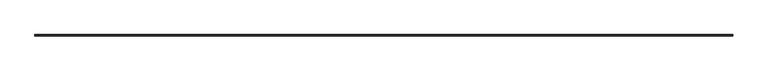
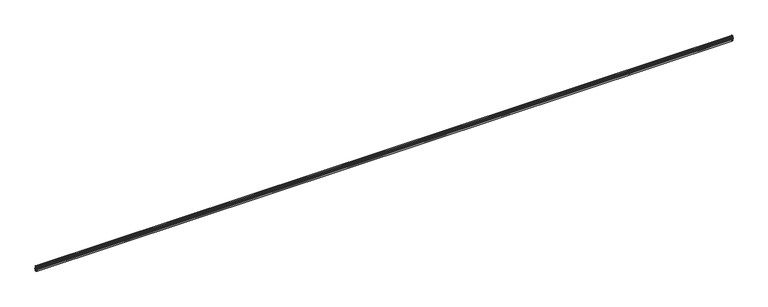
"""IFC4 building model written with IfcOpenShell, lengths in millimetres: railing geometry."""

from ifc_helpers import new_model, si_unit, frame, origin, place, context, project, spatial, polyline, circle_curve, ellipse_curve, source, transform, mapped, element, save
from ifc_brep_helpers import plane_surface, cylinder_surface, revolved_surface, advanced_brep


def railing_df9c0b14(model_context):
    return source(origin(), model_context, "Body", "AdvancedBrep", [
        advanced_brep(
        [(25095.1165719, 82032.1828523, 692.15), (25095.1165719, 82032.1828523, 711.2), (25074.4663719, 82032.1828523, 711.2), (25074.4663719, 82032.1828523, 677.8625), (25076.0538719, 82032.1828523, 677.8625), (25076.0538719, 82032.1828523, 673.1), (25079.2288719, 82032.1828523, 669.925), (25087.1663719, 82032.1828523, 669.925), (25087.1663719, 82032.1828523, 666.369), (25076.0538719, 82032.1828523, 666.369), (25076.0538719, 82032.1828523, 661.9875), (25076.8476219, 82032.1828523, 661.9875), (25080.0226219, 82032.1828523, 658.8125), (25080.0226219, 82032.1828523, 649.2875), (25076.8476219, 82032.1828523, 646.1125), (25076.0538719, 82032.1828523, 646.1125), (25076.0538719, 82032.1828523, 636.5875), (25076.8476219, 82032.1828523, 636.5875), (25080.0226219, 82032.1828523, 633.4125), (25080.0226219, 82032.1828523, 623.8875), (25076.8476219, 82032.1828523, 620.7125), (25076.0538719, 82032.1828523, 620.7125), (25076.0538719, 82032.1828523, 616.331), (25087.1663719, 82032.1828523, 616.331), (25087.1663719, 82032.1828523, 612.775), (25079.2288719, 82032.1828523, 612.775), (25076.0538719, 82032.1828523, 609.6), (25076.0538719, 82032.1828523, 604.8375), (25074.4663719, 82032.1828523, 604.8375), (25074.4663719, 82032.1828523, 571.5), (25095.1165719, 82032.1828523, 571.5), (25095.1165719, 82032.1828523, 590.55), (25089.7834214, 82032.1828523, 585.2168494), (25089.2238984, 82032.1828523, 586.404375), (25089.2238984, 82032.1828523, 696.295625), (25089.7834214, 82032.1828523, 697.4831506), (6765.8161719, 82032.1828523, 692.15), (6771.1493225, 82032.1828523, 697.4831506), (6771.7088454, 82032.1828523, 696.295625), (6771.7088454, 82032.1828523, 586.404375), (6771.1493225, 82032.1828523, 585.2168494), (6765.8161719, 82032.1828523, 590.55), (6765.8161719, 82032.1828523, 571.5), (6786.4663719, 82032.1828523, 571.5), (6786.4663719, 82032.1828523, 604.8375), (6784.8788719, 82032.1828523, 604.8375), (6784.8788719, 82032.1828523, 609.6), (6781.7038719, 82032.1828523, 612.775), (6773.7663719, 82032.1828523, 612.775), (6773.7663719, 82032.1828523, 616.331), (6784.8788719, 82032.1828523, 616.331), (6784.8788719, 82032.1828523, 620.7125), (6784.0851219, 82032.1828523, 620.7125), (6780.9101219, 82032.1828523, 623.8875), (6780.9101219, 82032.1828523, 633.4125), (6784.0851219, 82032.1828523, 636.5875), (6784.8788719, 82032.1828523, 636.5875), (6784.8788719, 82032.1828523, 646.1125), (6784.0851219, 82032.1828523, 646.1125), (6780.9101219, 82032.1828523, 649.2875), (6780.9101219, 82032.1828523, 658.8125), (6784.0851219, 82032.1828523, 661.9875), (6784.8788719, 82032.1828523, 661.9875), (6784.8788719, 82032.1828523, 666.369), (6773.7663719, 82032.1828523, 666.369), (6773.7663719, 82032.1828523, 669.925), (6781.7038719, 82032.1828523, 669.925), (6784.8788719, 82032.1828523, 673.1), (6784.8788719, 82032.1828523, 677.8625), (6786.4663719, 82032.1828523, 677.8625), (6786.4663719, 82032.1828523, 711.2), (6765.8161719, 82032.1828523, 711.2), (25095.1165719, 82053.6268023, 692.15), (25095.1165719, 82053.6268023, 711.2), (25074.4663719, 82032.9766023, 711.2), (25074.4663719, 82032.9766023, 677.8625), (25076.0538719, 82034.5641023, 677.8625), (25076.0538719, 82034.5641023, 673.1), (25079.2288719, 82037.7391023, 669.925), (25087.1663719, 82045.6766023, 669.925), (25087.1663719, 82045.6766023, 666.369), (25076.0538719, 82034.5641023, 666.369), (25076.0538719, 82034.5641023, 661.9875), (25076.8476219, 82035.3578523, 661.9875), (25080.0226219, 82038.5328523, 658.8125), (25080.0226219, 82038.5328523, 649.2875), (25076.8476219, 82035.3578523, 646.1125), (25076.0538719, 82034.5641023, 646.1125), (25076.0538719, 82034.5641023, 636.5875), (25076.8476219, 82035.3578523, 636.5875), (25080.0226219, 82038.5328523, 633.4125), (25080.0226219, 82038.5328523, 623.8875), (25076.8476219, 82035.3578523, 620.7125), (25076.0538719, 82034.5641023, 620.7125), (25076.0538719, 82034.5641023, 616.331), (25087.1663719, 82045.6766023, 616.331), (25087.1663719, 82045.6766023, 612.775), (25079.2288719, 82037.7391023, 612.775), (25076.0538719, 82034.5641023, 609.6), (25076.0538719, 82034.5641023, 604.8375), (25074.4663719, 82032.9766023, 604.8375), (25074.4663719, 82032.9766023, 571.5), (25095.1165719, 82053.6268023, 571.5), (25095.1165719, 82053.6268023, 590.55), (25089.7834214, 82048.2936517, 585.2168494), (25089.2238984, 82047.7341288, 586.404375), (25089.2238984, 82047.7341288, 696.295625), (25089.7834214, 82048.2936517, 697.4831506), (6765.8161719, 82053.6268023, 692.15), (6765.8161719, 82053.6268023, 711.2), (6786.4663719, 82032.9766023, 711.2), (6786.4663719, 82032.9766023, 677.8625), (6784.8788719, 82034.5641023, 677.8625), (6784.8788719, 82034.5641023, 673.1), (6781.7038719, 82037.7391023, 669.925), (6773.7663719, 82045.6766023, 669.925), (6773.7663719, 82045.6766023, 666.369), (6784.8788719, 82034.5641023, 666.369), (6784.8788719, 82034.5641023, 661.9875), (6784.0851219, 82035.3578523, 661.9875), (6780.9101219, 82038.5328523, 658.8125), (6780.9101219, 82038.5328523, 649.2875), (6784.0851219, 82035.3578523, 646.1125), (6784.8788719, 82034.5641023, 646.1125), (6784.8788719, 82034.5641023, 636.5875), (6784.0851219, 82035.3578523, 636.5875), (6780.9101219, 82038.5328523, 633.4125), (6780.9101219, 82038.5328523, 623.8875), (6784.0851219, 82035.3578523, 620.7125), (6784.8788719, 82034.5641023, 620.7125), (6784.8788719, 82034.5641023, 616.331), (6773.7663719, 82045.6766023, 616.331), (6773.7663719, 82045.6766023, 612.775), (6781.7038719, 82037.7391023, 612.775), (6784.8788719, 82034.5641023, 609.6), (6784.8788719, 82034.5641023, 604.8375), (6786.4663719, 82032.9766023, 604.8375), (6786.4663719, 82032.9766023, 571.5), (6765.8161719, 82053.6268023, 571.5), (6765.8161719, 82053.6268023, 590.55), (6771.1493225, 82048.2936517, 585.2168494), (6771.7088454, 82047.7341288, 586.404375), (6771.7088454, 82047.7341288, 696.295625), (6771.1493225, 82048.2936517, 697.4831506)],
        [
            (0, 1, circle_curve(frame((25095.1165719, 82032.1828523, 701.675), z_axis=(0.0, -1.0, 0.0), x_axis=(0.0, 0.0, 1.0)), 9.525)),
            (1, 2),
            (2, 3),
            (3, 4),
            (4, 5),
            (5, 6),
            (6, 7),
            (7, 8),
            (8, 9),
            (9, 10),
            (10, 11),
            (11, 12, circle_curve(frame((25076.8476219, 82032.1828523, 658.8125), z_axis=(0.0, 1.0, 0.0), x_axis=(1.0, 0.0, 0.0)), 3.175)),
            (12, 13),
            (13, 14, circle_curve(frame((25076.8476219, 82032.1828523, 649.2875), z_axis=(0.0, 1.0, 0.0), x_axis=(0.0, 0.0, -1.0)), 3.175)),
            (14, 15),
            (15, 16),
            (16, 17),
            (17, 18, circle_curve(frame((25076.8476219, 82032.1828523, 633.4125), z_axis=(0.0, 1.0, 0.0), x_axis=(1.0, 0.0, 0.0)), 3.175)),
            (18, 19),
            (19, 20, circle_curve(frame((25076.8476219, 82032.1828523, 623.8875), z_axis=(0.0, 1.0, 0.0), x_axis=(0.0, 0.0, -1.0)), 3.175)),
            (20, 21),
            (21, 22),
            (22, 23),
            (23, 24),
            (24, 25),
            (25, 26),
            (26, 27),
            (27, 28),
            (28, 29),
            (29, 30),
            (30, 31, circle_curve(frame((25095.1165719, 82032.1828523, 581.025), z_axis=(0.0, -1.0, 0.0), x_axis=(0.0, 0.0, 1.0)), 9.525)),
            (31, 32),
            (32, 33),
            (33, 34, circle_curve(frame((25024.4588519, 82032.1828523, 641.35), z_axis=(0.0, -1.0, 0.0), x_axis=(0.7625470963503024, 0.0, 0.6469327058108306)), 84.93252)),
            (34, 35),
            (35, 0),
            (36, 37),
            (37, 38),
            (38, 39, circle_curve(frame((6836.4738919, 82032.1828523, 641.35), z_axis=(0.0, -1.0, 0.0), x_axis=(-0.7625470963503024, 0.0, 0.6469327058108306)), 84.93252)),
            (39, 40),
            (40, 41),
            (41, 42, circle_curve(frame((6765.8161719, 82032.1828523, 581.025), z_axis=(0.0, -1.0, 0.0), x_axis=(0.0, 0.0, 1.0)), 9.525)),
            (42, 43),
            (43, 44),
            (44, 45),
            (45, 46),
            (46, 47),
            (47, 48),
            (48, 49),
            (49, 50),
            (50, 51),
            (51, 52),
            (52, 53, circle_curve(frame((6784.0851219, 82032.1828523, 623.8875), z_axis=(0.0, 1.0, 0.0), x_axis=(0.0, 0.0, -1.0)), 3.175)),
            (53, 54),
            (54, 55, circle_curve(frame((6784.0851219, 82032.1828523, 633.4125), z_axis=(0.0, 1.0, 0.0), x_axis=(-1.0, 0.0, 0.0)), 3.175)),
            (55, 56),
            (56, 57),
            (57, 58),
            (58, 59, circle_curve(frame((6784.0851219, 82032.1828523, 649.2875), z_axis=(0.0, 1.0, 0.0), x_axis=(0.0, 0.0, -1.0)), 3.175)),
            (59, 60),
            (60, 61, circle_curve(frame((6784.0851219, 82032.1828523, 658.8125), z_axis=(0.0, 1.0, 0.0), x_axis=(-1.0, 0.0, 0.0)), 3.175)),
            (61, 62),
            (62, 63),
            (63, 64),
            (64, 65),
            (65, 66),
            (66, 67),
            (67, 68),
            (68, 69),
            (69, 70),
            (70, 71),
            (71, 36, circle_curve(frame((6765.8161719, 82032.1828523, 701.675), z_axis=(0.0, -1.0, 0.0), x_axis=(0.0, 0.0, 1.0)), 9.525)),
            (0, 72),
            (72, 73, ellipse_curve(frame((25095.1165719, 82053.6268023, 701.675), z_axis=(0.7071067811865461, -0.7071067811865488, 0.0), x_axis=(-0.7071067811865487, -0.7071067811865462, 0.0)), 13.4703842, 9.525)),
            (73, 1),
            (73, 74),
            (74, 2),
            (74, 75),
            (75, 3),
            (75, 76),
            (76, 4),
            (76, 77),
            (77, 5),
            (77, 78),
            (78, 6),
            (78, 79),
            (79, 7),
            (79, 80),
            (80, 8),
            (80, 81),
            (81, 9),
            (81, 82),
            (82, 10),
            (82, 83),
            (83, 11),
            (83, 84, ellipse_curve(frame((25076.8476219, 82035.3578523, 658.8125), z_axis=(-0.7071067811865461, 0.7071067811865488, 0.0), x_axis=(0.7071067811865487, 0.7071067811865462, 0.0)), 4.4901281, 3.175)),
            (84, 12),
            (84, 85),
            (85, 13),
            (85, 86, ellipse_curve(frame((25076.8476219, 82035.3578523, 649.2875), z_axis=(-0.7071067811865461, 0.7071067811865488, 0.0), x_axis=(0.7071067811865487, 0.7071067811865462, 0.0)), 4.4901281, 3.175)),
            (86, 14),
            (86, 87),
            (87, 15),
            (87, 88),
            (88, 16),
            (88, 89),
            (89, 17),
            (89, 90, ellipse_curve(frame((25076.8476219, 82035.3578523, 633.4125), z_axis=(-0.7071067811865461, 0.7071067811865488, 0.0), x_axis=(0.7071067811865487, 0.7071067811865462, 0.0)), 4.4901281, 3.175)),
            (90, 18),
            (90, 91),
            (91, 19),
            (91, 92, ellipse_curve(frame((25076.8476219, 82035.3578523, 623.8875), z_axis=(-0.7071067811865461, 0.7071067811865488, 0.0), x_axis=(0.7071067811865487, 0.7071067811865462, 0.0)), 4.4901281, 3.175)),
            (92, 20),
            (92, 93),
            (93, 21),
            (93, 94),
            (94, 22),
            (94, 95),
            (95, 23),
            (95, 96),
            (96, 24),
            (96, 97),
            (97, 25),
            (97, 98),
            (98, 26),
            (98, 99),
            (99, 27),
            (99, 100),
            (100, 28),
            (100, 101),
            (101, 29),
            (101, 102),
            (102, 30),
            (102, 103, ellipse_curve(frame((25095.1165719, 82053.6268023, 581.025), z_axis=(0.7071067811865461, -0.7071067811865488, 0.0), x_axis=(-0.7071067811865487, -0.7071067811865462, 0.0)), 13.4703842, 9.525)),
            (103, 31),
            (103, 104),
            (104, 32),
            (104, 105),
            (105, 33),
            (105, 106, ellipse_curve(frame((25024.4588519, 81982.9690823, 641.35), z_axis=(0.7071067811865461, -0.7071067811865488, 0.0), x_axis=(-0.7071067811865487, -0.7071067811865462, 0.0)), 120.1127217, 84.93252)),
            (106, 34),
            (106, 107),
            (107, 35),
            (107, 72),
            (72, 108),
            (108, 109, ellipse_curve(frame((6765.8161719, 82053.6268023, 701.675), z_axis=(0.7071067811865488, 0.7071067811865461, 0.0), x_axis=(0.7071067811865462, -0.7071067811865487, 0.0)), 13.4703842, 9.525)),
            (109, 73),
            (109, 110),
            (110, 74),
            (110, 111),
            (111, 75),
            (111, 112),
            (112, 76),
            (112, 113),
            (113, 77),
            (113, 114),
            (114, 78),
            (114, 115),
            (115, 79),
            (115, 116),
            (116, 80),
            (116, 117),
            (117, 81),
            (117, 118),
            (118, 82),
            (118, 119),
            (119, 83),
            (119, 120, ellipse_curve(frame((6784.0851219, 82035.3578523, 658.8125), z_axis=(-0.7071067811865488, -0.7071067811865461, 0.0), x_axis=(-0.7071067811865462, 0.7071067811865487, 0.0)), 4.4901281, 3.175)),
            (120, 84),
            (120, 121),
            (121, 85),
            (121, 122, ellipse_curve(frame((6784.0851219, 82035.3578523, 649.2875), z_axis=(-0.7071067811865488, -0.7071067811865461, 0.0), x_axis=(-0.7071067811865462, 0.7071067811865487, 0.0)), 4.4901281, 3.175)),
            (122, 86),
            (122, 123),
            (123, 87),
            (123, 124),
            (124, 88),
            (124, 125),
            (125, 89),
            (125, 126, ellipse_curve(frame((6784.0851219, 82035.3578523, 633.4125), z_axis=(-0.7071067811865488, -0.7071067811865461, 0.0), x_axis=(-0.7071067811865462, 0.7071067811865487, 0.0)), 4.4901281, 3.175)),
            (126, 90),
            (126, 127),
            (127, 91),
            (127, 128, ellipse_curve(frame((6784.0851219, 82035.3578523, 623.8875), z_axis=(-0.7071067811865488, -0.7071067811865461, 0.0), x_axis=(-0.7071067811865462, 0.7071067811865487, 0.0)), 4.4901281, 3.175)),
            (128, 92),
            (128, 129),
            (129, 93),
            (129, 130),
            (130, 94),
            (130, 131),
            (131, 95),
            (131, 132),
            (132, 96),
            (132, 133),
            (133, 97),
            (133, 134),
            (134, 98),
            (134, 135),
            (135, 99),
            (135, 136),
            (136, 100),
            (136, 137),
            (137, 101),
            (137, 138),
            (138, 102),
            (138, 139, ellipse_curve(frame((6765.8161719, 82053.6268023, 581.025), z_axis=(0.7071067811865488, 0.7071067811865461, 0.0), x_axis=(0.7071067811865462, -0.7071067811865487, 0.0)), 13.4703842, 9.525)),
            (139, 103),
            (139, 140),
            (140, 104),
            (140, 141),
            (141, 105),
            (141, 142, ellipse_curve(frame((6836.4738919, 81982.9690823, 641.35), z_axis=(0.7071067811865488, 0.7071067811865461, 0.0), x_axis=(0.7071067811865462, -0.7071067811865487, 0.0)), 120.1127217, 84.93252)),
            (142, 106),
            (142, 143),
            (143, 107),
            (143, 108),
            (108, 36),
            (71, 109),
            (70, 110),
            (69, 111),
            (68, 112),
            (67, 113),
            (66, 114),
            (65, 115),
            (64, 116),
            (63, 117),
            (62, 118),
            (61, 119),
            (60, 120),
            (59, 121),
            (58, 122),
            (57, 123),
            (56, 124),
            (55, 125),
            (54, 126),
            (53, 127),
            (52, 128),
            (51, 129),
            (50, 130),
            (49, 131),
            (48, 132),
            (47, 133),
            (46, 134),
            (45, 135),
            (44, 136),
            (43, 137),
            (42, 138),
            (41, 139),
            (40, 140),
            (39, 141),
            (38, 142),
            (37, 143),
        ],
        [
            plane_surface(frame((25074.4663719, 82032.1828523, 711.2), z_axis=(0.0, -1.0, 0.0), x_axis=(0.0, 0.0, 1.0))),
            plane_surface(frame((6786.4663719, 82032.1828523, 711.2), z_axis=(0.0, -1.0, 0.0), x_axis=(0.0, 0.0, -1.0))),
            cylinder_surface(frame((25095.1165719, 82032.1828523, 701.675), z_axis=(0.0, -1.0, 0.0), x_axis=(0.0, 0.0, 1.0)), 9.525),
            plane_surface(frame((25095.1165719, 82032.1828523, 711.2), z_axis=(0.0, 0.0, 1.0), x_axis=(0.0, 1.0, 0.0))),
            plane_surface(frame((25074.4663719, 82032.1828523, 711.2), z_axis=(-1.0, 0.0, 0.0), x_axis=(0.0, 1.0, 0.0))),
            plane_surface(frame((25074.4663719, 82032.1828523, 677.8625), z_axis=(0.0, 0.0, -1.0), x_axis=(0.0, 1.0, 0.0))),
            plane_surface(frame((25076.0538719, 82032.1828523, 677.8625), z_axis=(-1.0, 0.0, 0.0), x_axis=(0.0, 1.0, 0.0))),
            plane_surface(frame((25076.0538719, 82032.1828523, 673.1), z_axis=(-0.7071067811865476, 0.0, -0.7071067811865476), x_axis=(0.0, 1.0, 0.0))),
            plane_surface(frame((25079.2288719, 82032.1828523, 669.925), z_axis=(0.0, 0.0, -1.0), x_axis=(0.0, 1.0, 0.0))),
            plane_surface(frame((25087.1663719, 82032.1828523, 669.925), z_axis=(-1.0, 0.0, 0.0), x_axis=(0.0, 1.0, 0.0))),
            plane_surface(frame((25087.1663719, 82032.1828523, 666.369), z_axis=(0.0, 0.0, 1.0), x_axis=(0.0, 1.0, 0.0))),
            plane_surface(frame((25076.0538719, 82032.1828523, 666.369), z_axis=(-1.0, 0.0, 0.0), x_axis=(0.0, 1.0, 0.0))),
            plane_surface(frame((25076.0538719, 82032.1828523, 661.9875), z_axis=(0.0, 0.0, -1.0), x_axis=(0.0, 1.0, 0.0))),
            revolved_surface(polyline([(25080.0226219, 82038.53285232792, 658.8125), (25080.0226219, 82032.18285227209, 658.8125)]), (25076.8476219, 82032.1828523, 658.8125), (0.0, 1.0, 0.0)),
            plane_surface(frame((25080.0226219, 82032.1828523, 658.8125), z_axis=(-1.0, 0.0, 0.0), x_axis=(0.0, 1.0, 0.0))),
            revolved_surface(polyline([(25076.8476219, 82038.53285232792, 646.1125000000001), (25076.8476219, 82032.18285227209, 646.1125000000001)]), (25076.8476219, 82032.1828523, 649.2875), (0.0, 1.0, 0.0)),
            plane_surface(frame((25076.8476219, 82032.1828523, 646.1125), z_axis=(0.0, 0.0, 1.0), x_axis=(0.0, 1.0, 0.0))),
            plane_surface(frame((25076.0538719, 82032.1828523, 646.1125), z_axis=(-1.0, 0.0, 0.0), x_axis=(0.0, 1.0, 0.0))),
            plane_surface(frame((25076.0538719, 82032.1828523, 636.5875), z_axis=(0.0, 0.0, -1.0), x_axis=(0.0, 1.0, 0.0))),
            revolved_surface(polyline([(25080.0226219, 82038.53285232792, 633.4125), (25080.0226219, 82032.18285227209, 633.4125)]), (25076.8476219, 82032.1828523, 633.4125), (0.0, 1.0, 0.0)),
            plane_surface(frame((25080.0226219, 82032.1828523, 633.4125), z_axis=(-1.0, 0.0, 0.0), x_axis=(0.0, 1.0, 0.0))),
            revolved_surface(polyline([(25076.8476219, 82038.53285232792, 620.7125000000001), (25076.8476219, 82032.18285227209, 620.7125000000001)]), (25076.8476219, 82032.1828523, 623.8875), (0.0, 1.0, 0.0)),
            plane_surface(frame((25076.8476219, 82032.1828523, 620.7125), z_axis=(0.0, 0.0, 1.0), x_axis=(0.0, 1.0, 0.0))),
            plane_surface(frame((25076.0538719, 82032.1828523, 620.7125), z_axis=(-1.0, 0.0, 0.0), x_axis=(0.0, 1.0, 0.0))),
            plane_surface(frame((25076.0538719, 82032.1828523, 616.331), z_axis=(0.0, 0.0, -1.0), x_axis=(-1.8189894035458565e-12, 1.0, 0.0))),
            plane_surface(frame((25087.1663719, 82032.1828523, 616.331), z_axis=(-1.0, 0.0, 0.0), x_axis=(0.0, 1.0, 0.0))),
            plane_surface(frame((25087.1663719, 82032.1828523, 612.775), z_axis=(0.0, 0.0, 1.0), x_axis=(0.0, 1.0, 0.0))),
            plane_surface(frame((25079.2288719, 82032.1828523, 612.775), z_axis=(-0.7071067811866079, 0.0, 0.7071067811864873), x_axis=(0.0, 1.0, 0.0))),
            plane_surface(frame((25076.0538719, 82032.1828523, 609.6), z_axis=(-1.0, 0.0, 0.0), x_axis=(0.0, 1.0, 0.0))),
            plane_surface(frame((25076.0538719, 82032.1828523, 604.8375), z_axis=(0.0, 0.0, 1.0), x_axis=(0.0, 1.0, 0.0))),
            plane_surface(frame((25074.4663719, 82032.1828523, 604.8375), z_axis=(-1.0, 0.0, 0.0), x_axis=(0.0, 1.0, 0.0))),
            plane_surface(frame((25074.4663719, 82032.1828523, 571.5), z_axis=(0.0, 0.0, -1.0), x_axis=(0.0, 1.0, 0.0))),
            cylinder_surface(frame((25095.1165719, 82032.1828523, 581.025), z_axis=(0.0, -1.0, 0.0), x_axis=(0.0, 0.0, 1.0)), 9.525),
            plane_surface(frame((25095.1165719, 82032.1828523, 590.55), z_axis=(-0.7071067811865476, 0.0, 0.7071067811865476), x_axis=(0.0, 1.0, 0.0))),
            plane_surface(frame((25089.7834214, 82032.1828523, 585.2168494), z_axis=(0.9046168695855785, 0.0, 0.4262256670605237), x_axis=(0.0, 1.0, 0.0))),
            cylinder_surface(frame((25024.4588519, 82032.1828523, 641.35), z_axis=(0.0, -1.0, 0.0), x_axis=(0.7625470963503024, 0.0, 0.6469327058108306)), 84.93252),
            plane_surface(frame((25089.2238984, 82032.1828523, 696.295625), z_axis=(0.9046168695855733, 0.0, -0.42622566706053483), x_axis=(0.0, 1.0, 0.0))),
            plane_surface(frame((25089.7834214, 82032.1828523, 697.4831506), z_axis=(-0.7071067811865476, 0.0, -0.7071067811865476), x_axis=(0.0, 1.0, 0.0))),
            cylinder_surface(frame((25074.4663719, 82053.6268023, 701.675), z_axis=(1.0, 0.0, 0.0), x_axis=(0.0, 0.0, 1.0)), 9.525),
            plane_surface(frame((25095.1165719, 82053.6268023, 711.2), z_axis=(0.0, 0.0, 1.0), x_axis=(-1.0, 0.0, 0.0))),
            plane_surface(frame((25074.4663719, 82032.9766023, 711.2), z_axis=(0.0, -1.0, 0.0), x_axis=(-1.0, 0.0, 0.0))),
            plane_surface(frame((25074.4663719, 82032.9766023, 677.8625), z_axis=(0.0, 0.0, -1.0), x_axis=(-1.0, 0.0, 0.0))),
            plane_surface(frame((25076.0538719, 82034.5641023, 677.8625), z_axis=(0.0, -1.0, 0.0), x_axis=(-1.0, 0.0, 0.0))),
            plane_surface(frame((25076.0538719, 82034.5641023, 673.1), z_axis=(0.0, -0.7071067811865476, -0.7071067811865476), x_axis=(-1.0, 0.0, 0.0))),
            plane_surface(frame((25079.2288719, 82037.7391023, 669.925), z_axis=(0.0, 0.0, -1.0), x_axis=(-1.0, 0.0, 0.0))),
            plane_surface(frame((25087.1663719, 82045.6766023, 669.925), z_axis=(0.0, -1.0, 0.0), x_axis=(-1.0, 0.0, 0.0))),
            plane_surface(frame((25087.1663719, 82045.6766023, 666.369), z_axis=(0.0, 0.0, 1.0), x_axis=(-1.0, 0.0, 0.0))),
            plane_surface(frame((25076.0538719, 82034.5641023, 666.369), z_axis=(0.0, -1.0, 0.0), x_axis=(-1.0, 0.0, 0.0))),
            plane_surface(frame((25076.0538719, 82034.5641023, 661.9875), z_axis=(0.0, 0.0, -1.0), x_axis=(-1.0, 0.0, 0.0))),
            revolved_surface(polyline([(6780.910121872093, 82038.5328523, 658.8125), (25080.022621927907, 82038.5328523, 658.8125)]), (25074.4663719, 82035.3578523, 658.8125), (-1.0, 0.0, 0.0)),
            plane_surface(frame((25080.0226219, 82038.5328523, 658.8125), z_axis=(0.0, -1.0, 0.0), x_axis=(-1.0, 0.0, 0.0))),
            revolved_surface(polyline([(6780.910121872093, 82035.3578523, 646.1125000000001), (25080.022621927907, 82035.3578523, 646.1125000000001)]), (25074.4663719, 82035.3578523, 649.2875), (-1.0, 0.0, 0.0)),
            plane_surface(frame((25076.8476219, 82035.3578523, 646.1125), z_axis=(0.0, 0.0, 1.0), x_axis=(-1.0, 0.0, 0.0))),
            plane_surface(frame((25076.0538719, 82034.5641023, 646.1125), z_axis=(0.0, -1.0, 0.0), x_axis=(-1.0, 0.0, 0.0))),
            plane_surface(frame((25076.0538719, 82034.5641023, 636.5875), z_axis=(0.0, 0.0, -1.0), x_axis=(-1.0, 0.0, 0.0))),
            revolved_surface(polyline([(6780.910121872093, 82038.5328523, 633.4125), (25080.022621927907, 82038.5328523, 633.4125)]), (25074.4663719, 82035.3578523, 633.4125), (-1.0, 0.0, 0.0)),
            plane_surface(frame((25080.0226219, 82038.5328523, 633.4125), z_axis=(0.0, -1.0, 0.0), x_axis=(-1.0, 0.0, 0.0))),
            revolved_surface(polyline([(6780.910121872093, 82035.3578523, 620.7125000000001), (25080.022621927907, 82035.3578523, 620.7125000000001)]), (25074.4663719, 82035.3578523, 623.8875), (-1.0, 0.0, 0.0)),
            plane_surface(frame((25076.8476219, 82035.3578523, 620.7125), z_axis=(0.0, 0.0, 1.0), x_axis=(-1.0, 0.0, 0.0))),
            plane_surface(frame((25076.0538719, 82034.5641023, 620.7125), z_axis=(0.0, -1.0, 0.0), x_axis=(-1.0, 0.0, 0.0))),
            plane_surface(frame((25076.0538719, 82034.5641023, 616.331), z_axis=(0.0, 0.0, -1.0), x_axis=(-1.0, 0.0, 0.0))),
            plane_surface(frame((25087.1663719, 82045.6766023, 616.331), z_axis=(0.0, -1.0, 0.0), x_axis=(-1.0, 0.0, 0.0))),
            plane_surface(frame((25087.1663719, 82045.6766023, 612.775), z_axis=(0.0, 0.0, 1.0), x_axis=(-1.0, 0.0, 0.0))),
            plane_surface(frame((25079.2288719, 82037.7391023, 612.775), z_axis=(0.0, -0.7071067811866079, 0.7071067811864873), x_axis=(-1.0, 0.0, 0.0))),
            plane_surface(frame((25076.0538719, 82034.5641023, 609.6), z_axis=(0.0, -1.0, 0.0), x_axis=(-1.0, 0.0, 0.0))),
            plane_surface(frame((25076.0538719, 82034.5641023, 604.8375), z_axis=(0.0, 0.0, 1.0), x_axis=(-1.0, 0.0, 0.0))),
            plane_surface(frame((25074.4663719, 82032.9766023, 604.8375), z_axis=(0.0, -1.0, 0.0), x_axis=(-1.0, 0.0, 0.0))),
            plane_surface(frame((25074.4663719, 82032.9766023, 571.5), z_axis=(0.0, 0.0, -1.0), x_axis=(-1.0, 0.0, 0.0))),
            cylinder_surface(frame((25074.4663719, 82053.6268023, 581.025), z_axis=(1.0, 0.0, 0.0), x_axis=(0.0, 0.0, 1.0)), 9.525),
            plane_surface(frame((25095.1165719, 82053.6268023, 590.55), z_axis=(0.0, -0.7071067811865476, 0.7071067811865476), x_axis=(-1.0, 0.0, 0.0))),
            plane_surface(frame((25089.7834214, 82048.2936517, 585.2168494), z_axis=(0.0, 0.9046168695855785, 0.4262256670605237), x_axis=(-1.0, 0.0, 0.0))),
            cylinder_surface(frame((25074.4663719, 81982.9690823, 641.35), z_axis=(1.0, 0.0, 0.0), x_axis=(0.0, 0.7625470963503024, 0.6469327058108306)), 84.93252),
            plane_surface(frame((25089.2238984, 82047.7341288, 696.295625), z_axis=(0.0, 0.9046168695855733, -0.42622566706053483), x_axis=(-1.0, 0.0, 0.0))),
            plane_surface(frame((25089.7834214, 82048.2936517, 697.4831506), z_axis=(0.0, -0.7071067811865476, -0.7071067811865476), x_axis=(-1.0, 0.0, 0.0))),
            cylinder_surface(frame((6765.8161719, 82032.9766023, 701.675), z_axis=(0.0, 1.0, 0.0), x_axis=(0.0, 0.0, 1.0)), 9.525),
            plane_surface(frame((6765.8161719, 82053.6268023, 711.2), z_axis=(0.0, 0.0, 1.0), x_axis=(0.0, -1.0, 0.0))),
            plane_surface(frame((6786.4663719, 82032.9766023, 711.2), z_axis=(1.0, 2.7284841052989324e-12, 0.0), x_axis=(2.7284841052989324e-12, -1.0, 0.0))),
            plane_surface(frame((6786.4663719, 82032.9766023, 677.8625), z_axis=(0.0, 0.0, -1.0), x_axis=(-4.092726158037734e-12, -1.0, 0.0))),
            plane_surface(frame((6784.8788719, 82034.5641023, 677.8625), z_axis=(1.0, 0.0, 0.0), x_axis=(0.0, -1.0, 0.0))),
            plane_surface(frame((6784.8788719, 82034.5641023, 673.1), z_axis=(0.7071067811865476, 0.0, -0.7071067811865476), x_axis=(0.0, -1.0, 0.0))),
            plane_surface(frame((6781.7038719, 82037.7391023, 669.925), z_axis=(0.0, 0.0, -1.0), x_axis=(0.0, -1.0, 0.0))),
            plane_surface(frame((6773.7663719, 82045.6766023, 669.925), z_axis=(1.0, 0.0, 0.0), x_axis=(0.0, -1.0, 0.0))),
            plane_surface(frame((6773.7663719, 82045.6766023, 666.369), z_axis=(0.0, 0.0, 1.0), x_axis=(0.0, -1.0, 0.0))),
            plane_surface(frame((6784.8788719, 82034.5641023, 666.369), z_axis=(1.0, 0.0, 0.0), x_axis=(0.0, -1.0, 0.0))),
            plane_surface(frame((6784.8788719, 82034.5641023, 661.9875), z_axis=(0.0, 0.0, -1.0), x_axis=(0.0, -1.0, 0.0))),
            revolved_surface(polyline([(6780.9101218999995, 82032.18285227209, 658.8125), (6780.9101218999995, 82038.53285232792, 658.8125)]), (6784.0851219, 82032.9766023, 658.8125), (0.0, -1.0, 0.0)),
            plane_surface(frame((6780.9101219, 82038.5328523, 658.8125), z_axis=(1.0, 0.0, 0.0), x_axis=(0.0, -1.0, 0.0))),
            revolved_surface(polyline([(6784.0851219, 82032.18285227209, 646.1125000000001), (6784.0851219, 82038.53285232792, 646.1125000000001)]), (6784.0851219, 82032.9766023, 649.2875), (0.0, -1.0, 0.0)),
            plane_surface(frame((6784.0851219, 82035.3578523, 646.1125), z_axis=(0.0, 0.0, 1.0), x_axis=(-1.3642420526643554e-12, -1.0, 0.0))),
            plane_surface(frame((6784.8788719, 82034.5641023, 646.1125), z_axis=(1.0, 0.0, 0.0), x_axis=(0.0, -1.0, 0.0))),
            plane_surface(frame((6784.8788719, 82034.5641023, 636.5875), z_axis=(0.0, 0.0, -1.0), x_axis=(0.0, -1.0, 0.0))),
            revolved_surface(polyline([(6780.9101218999995, 82032.18285227209, 633.4125), (6780.9101218999995, 82038.53285232792, 633.4125)]), (6784.0851219, 82032.9766023, 633.4125), (0.0, -1.0, 0.0)),
            plane_surface(frame((6780.9101219, 82038.5328523, 633.4125), z_axis=(1.0, 0.0, 0.0), x_axis=(0.0, -1.0, 0.0))),
            revolved_surface(polyline([(6784.0851219, 82032.18285227209, 620.7125000000001), (6784.0851219, 82038.53285232792, 620.7125000000001)]), (6784.0851219, 82032.9766023, 623.8875), (0.0, -1.0, 0.0)),
            plane_surface(frame((6784.0851219, 82035.3578523, 620.7125), z_axis=(0.0, 0.0, 1.0), x_axis=(-1.3642420526643554e-12, -1.0, 0.0))),
            plane_surface(frame((6784.8788719, 82034.5641023, 620.7125), z_axis=(1.0, 0.0, 0.0), x_axis=(0.0, -1.0, 0.0))),
            plane_surface(frame((6784.8788719, 82034.5641023, 616.331), z_axis=(0.0, 0.0, -1.0), x_axis=(-1.3642420526593924e-12, -1.0, 0.0))),
            plane_surface(frame((6773.7663719, 82045.6766023, 616.331), z_axis=(1.0, 0.0, 0.0), x_axis=(0.0, -1.0, 0.0))),
            plane_surface(frame((6773.7663719, 82045.6766023, 612.775), z_axis=(0.0, 0.0, 1.0), x_axis=(0.0, -1.0, 0.0))),
            plane_surface(frame((6781.7038719, 82037.7391023, 612.775), z_axis=(0.7071067811866079, 0.0, 0.7071067811864873), x_axis=(0.0, -1.0, 0.0))),
            plane_surface(frame((6784.8788719, 82034.5641023, 609.6), z_axis=(1.0, 0.0, 0.0), x_axis=(0.0, -1.0, 0.0))),
            plane_surface(frame((6784.8788719, 82034.5641023, 604.8375), z_axis=(0.0, 0.0, 1.0), x_axis=(0.0, -1.0, 0.0))),
            plane_surface(frame((6786.4663719, 82032.9766023, 604.8375), z_axis=(1.0, 2.7284841052989324e-12, 0.0), x_axis=(2.7284841052989324e-12, -1.0, 0.0))),
            plane_surface(frame((6786.4663719, 82032.9766023, 571.5), z_axis=(0.0, 0.0, -1.0), x_axis=(4.0927261579483986e-12, -1.0, 0.0))),
            cylinder_surface(frame((6765.8161719, 82032.9766023, 581.025), z_axis=(0.0, 1.0, 0.0), x_axis=(0.0, 0.0, 1.0)), 9.525),
            plane_surface(frame((6765.8161719, 82053.6268023, 590.55), z_axis=(0.7071067811865476, 0.0, 0.7071067811865476), x_axis=(0.0, -1.0, 0.0))),
            plane_surface(frame((6771.1493225, 82048.2936517, 585.2168494), z_axis=(-0.9046168695855785, 0.0, 0.4262256670605237), x_axis=(0.0, -1.0, 0.0))),
            cylinder_surface(frame((6836.4738919, 82032.9766023, 641.35), z_axis=(0.0, 1.0, 0.0), x_axis=(-0.7625470963503024, 0.0, 0.6469327058108306)), 84.93252),
            plane_surface(frame((6771.7088454, 82047.7341288, 696.295625), z_axis=(-0.9046168695855733, 0.0, -0.42622566706053483), x_axis=(0.0, -1.0, 0.0))),
            plane_surface(frame((6771.1493225, 82048.2936517, 697.4831506), z_axis=(0.7071067811865476, 0.0, -0.7071067811865476), x_axis=(0.0, -1.0, 0.0))),
        ],
        [
            (0, [[1, 2, 3, 4, 5, 6, 7, 8, 9, 10, 11, 12, 13, 14, 15, 16, 17, 18, 19, 20, 21, 22, 23, 24, 25, 26, 27, 28, 29, 30, 31, 32, 33, 34, 35, 36]]),
            (1, [[37, 38, 39, 40, 41, 42, 43, 44, 45, 46, 47, 48, 49, 50, 51, 52, 53, 54, 55, 56, 57, 58, 59, 60, 61, 62, 63, 64, 65, 66, 67, 68, 69, 70, 71, 72]]),
            (2, [[-1, 73, 74, 75]]),
            (3, [[-2, -75, 76, 77]]),
            (4, [[-3, -77, 78, 79]]),
            (5, [[-4, -79, 80, 81]]),
            (6, [[-5, -81, 82, 83]]),
            (7, [[-6, -83, 84, 85]]),
            (8, [[-7, -85, 86, 87]]),
            (9, [[-8, -87, 88, 89]]),
            (10, [[-9, -89, 90, 91]]),
            (11, [[-10, -91, 92, 93]]),
            (12, [[-11, -93, 94, 95]]),
            (13, [[-12, -95, 96, 97]]),
            (14, [[-13, -97, 98, 99]]),
            (15, [[-14, -99, 100, 101]]),
            (16, [[-15, -101, 102, 103]]),
            (17, [[-16, -103, 104, 105]]),
            (18, [[-17, -105, 106, 107]]),
            (19, [[-18, -107, 108, 109]]),
            (20, [[-19, -109, 110, 111]]),
            (21, [[-20, -111, 112, 113]]),
            (22, [[-21, -113, 114, 115]]),
            (23, [[-22, -115, 116, 117]]),
            (24, [[-23, -117, 118, 119]]),
            (25, [[-24, -119, 120, 121]]),
            (26, [[-25, -121, 122, 123]]),
            (27, [[-26, -123, 124, 125]]),
            (28, [[-27, -125, 126, 127]]),
            (29, [[-28, -127, 128, 129]]),
            (30, [[-29, -129, 130, 131]]),
            (31, [[-30, -131, 132, 133]]),
            (32, [[-31, -133, 134, 135]]),
            (33, [[-32, -135, 136, 137]]),
            (34, [[-33, -137, 138, 139]]),
            (35, [[-34, -139, 140, 141]]),
            (36, [[-35, -141, 142, 143]]),
            (37, [[-36, -143, 144, -73]]),
            (38, [[-74, 145, 146, 147]]),
            (39, [[-76, -147, 148, 149]]),
            (40, [[-78, -149, 150, 151]]),
            (41, [[-80, -151, 152, 153]]),
            (42, [[-82, -153, 154, 155]]),
            (43, [[-84, -155, 156, 157]]),
            (44, [[-86, -157, 158, 159]]),
            (45, [[-88, -159, 160, 161]]),
            (46, [[-90, -161, 162, 163]]),
            (47, [[-92, -163, 164, 165]]),
            (48, [[-94, -165, 166, 167]]),
            (49, [[-96, -167, 168, 169]]),
            (50, [[-98, -169, 170, 171]]),
            (51, [[-100, -171, 172, 173]]),
            (52, [[-102, -173, 174, 175]]),
            (53, [[-104, -175, 176, 177]]),
            (54, [[-106, -177, 178, 179]]),
            (55, [[-108, -179, 180, 181]]),
            (56, [[-110, -181, 182, 183]]),
            (57, [[-112, -183, 184, 185]]),
            (58, [[-114, -185, 186, 187]]),
            (59, [[-116, -187, 188, 189]]),
            (60, [[-118, -189, 190, 191]]),
            (61, [[-120, -191, 192, 193]]),
            (62, [[-122, -193, 194, 195]]),
            (63, [[-124, -195, 196, 197]]),
            (64, [[-126, -197, 198, 199]]),
            (65, [[-128, -199, 200, 201]]),
            (66, [[-130, -201, 202, 203]]),
            (67, [[-132, -203, 204, 205]]),
            (68, [[-134, -205, 206, 207]]),
            (69, [[-136, -207, 208, 209]]),
            (70, [[-138, -209, 210, 211]]),
            (71, [[-140, -211, 212, 213]]),
            (72, [[-142, -213, 214, 215]]),
            (73, [[-144, -215, 216, -145]]),
            (74, [[-146, 217, -72, 218]]),
            (75, [[-148, -218, -71, 219]]),
            (76, [[-150, -219, -70, 220]]),
            (77, [[-152, -220, -69, 221]]),
            (78, [[-154, -221, -68, 222]]),
            (79, [[-156, -222, -67, 223]]),
            (80, [[-158, -223, -66, 224]]),
            (81, [[-160, -224, -65, 225]]),
            (82, [[-162, -225, -64, 226]]),
            (83, [[-164, -226, -63, 227]]),
            (84, [[-166, -227, -62, 228]]),
            (85, [[-168, -228, -61, 229]]),
            (86, [[-170, -229, -60, 230]]),
            (87, [[-172, -230, -59, 231]]),
            (88, [[-174, -231, -58, 232]]),
            (89, [[-176, -232, -57, 233]]),
            (90, [[-178, -233, -56, 234]]),
            (91, [[-180, -234, -55, 235]]),
            (92, [[-182, -235, -54, 236]]),
            (93, [[-184, -236, -53, 237]]),
            (94, [[-186, -237, -52, 238]]),
            (95, [[-188, -238, -51, 239]]),
            (96, [[-190, -239, -50, 240]]),
            (97, [[-192, -240, -49, 241]]),
            (98, [[-194, -241, -48, 242]]),
            (99, [[-196, -242, -47, 243]]),
            (100, [[-198, -243, -46, 244]]),
            (101, [[-200, -244, -45, 245]]),
            (102, [[-202, -245, -44, 246]]),
            (103, [[-204, -246, -43, 247]]),
            (104, [[-206, -247, -42, 248]]),
            (105, [[-208, -248, -41, 249]]),
            (106, [[-210, -249, -40, 250]]),
            (107, [[-212, -250, -39, 251]]),
            (108, [[-214, -251, -38, 252]]),
            (109, [[-216, -252, -37, -217]]),
        ],
    ),
        advanced_brep(
        [(25090.2982962, 82032.1828523, 587.696477), (25090.939562, 82032.1828523, 587.1739002), (25090.939562, 82032.1828523, 695.5260998), (25090.2945647, 82032.1828523, 695.0081016), (6770.6344476, 82032.1828523, 587.696477), (6770.6381791, 82032.1828523, 695.0081016), (6769.9931819, 82032.1828523, 695.5260998), (6769.9931819, 82032.1828523, 587.1739002), (25090.2982962, 82048.8085266, 587.696477), (25090.939562, 82049.4497924, 587.1739002), (25090.939562, 82049.4497924, 695.5260998), (25090.2945647, 82048.8047951, 695.0081016), (6770.6344476, 82048.8085266, 587.696477), (6769.9931819, 82049.4497924, 587.1739002), (6769.9931819, 82049.4497924, 695.5260998), (6770.6381791, 82048.8047951, 695.0081016)],
        [
            (0, 1),
            (1, 2, circle_curve(frame((25023.4809519, 82032.1828523, 641.35), z_axis=(0.0, -1.0, 0.0), x_axis=(0.7796878694514593, 0.0, -0.6261683689154574)), 86.52002)),
            (2, 3),
            (3, 0, circle_curve(frame((25024.4588519, 82032.1828523, 641.35), z_axis=(0.0, 1.0, 0.0), x_axis=(0.7625470963503024, 0.0, 0.6469327058108306)), 84.93252)),
            (4, 5, circle_curve(frame((6836.4738919, 82032.1828523, 641.35), z_axis=(0.0, 1.0, 0.0), x_axis=(-0.7625470963503024, 0.0, 0.6469327058108306)), 84.93252)),
            (5, 6),
            (6, 7, circle_curve(frame((6837.4517919, 82032.1828523, 641.35), z_axis=(0.0, -1.0, 0.0), x_axis=(-0.7796878694514593, 0.0, -0.6261683689154574)), 86.52002)),
            (7, 4),
            (0, 8),
            (8, 9),
            (9, 1),
            (9, 10, ellipse_curve(frame((25023.4809519, 81981.9911823, 641.35), z_axis=(0.7071067811865461, -0.7071067811865488, 0.0), x_axis=(-0.7071067811865487, -0.7071067811865462, 0.0)), 122.3577857, 86.52002)),
            (10, 2),
            (10, 11),
            (11, 3),
            (11, 8, ellipse_curve(frame((25024.4588519, 81982.9690823, 641.35), z_axis=(-0.7071067811865461, 0.7071067811865488, 0.0), x_axis=(0.7071067811865487, 0.7071067811865462, 0.0)), 120.1127217, 84.93252)),
            (8, 12),
            (12, 13),
            (13, 9),
            (13, 14, ellipse_curve(frame((6837.4517919, 81981.9911823, 641.35), z_axis=(0.7071067811865488, 0.7071067811865461, 0.0), x_axis=(0.7071067811865462, -0.7071067811865487, 0.0)), 122.3577857, 86.52002)),
            (14, 10),
            (14, 15),
            (15, 11),
            (15, 12, ellipse_curve(frame((6836.4738919, 81982.9690823, 641.35), z_axis=(-0.7071067811865488, -0.7071067811865461, 0.0), x_axis=(-0.7071067811865462, 0.7071067811865487, 0.0)), 120.1127217, 84.93252)),
            (12, 4),
            (7, 13),
            (6, 14),
            (5, 15),
        ],
        [
            plane_surface(frame((25074.4663719, 82032.1828523, 711.2), z_axis=(0.0, -1.0, 0.0), x_axis=(0.0, 0.0, 1.0))),
            plane_surface(frame((6786.4663719, 82032.1828523, 711.2), z_axis=(0.0, -1.0, 0.0), x_axis=(0.0, 0.0, -1.0))),
            plane_surface(frame((25090.2982962, 82032.1828523, 587.696477), z_axis=(-0.6317194283494673, 0.0, -0.775197112898276), x_axis=(0.0, 1.0, 0.0))),
            cylinder_surface(frame((25023.4809519, 82032.1828523, 641.35), z_axis=(0.0, -1.0000000000000002, 0.0), x_axis=(0.7796878694514593, 0.0, -0.6261683689154574)), 86.52002),
            plane_surface(frame((25090.939562, 82032.1828523, 695.5260998), z_axis=(-0.6261683689154572, 0.0, 0.7796878694514594), x_axis=(0.0, 1.0, 0.0))),
            revolved_surface(polyline([(25089.223898411714, 82067.90160232084, 696.2956249749325), (25089.223898411714, 81898.03656227916, 696.2956249749325)]), (25024.4588519, 82032.1828523, 641.35), (0.0, 1.0, 0.0)),
            plane_surface(frame((25090.2982962, 82048.8085266, 587.696477), z_axis=(0.0, -0.6317194283494673, -0.775197112898276), x_axis=(-1.0, 0.0, 0.0))),
            cylinder_surface(frame((25074.4663719, 81981.9911823, 641.35), z_axis=(1.0000000000000002, 0.0, 0.0), x_axis=(0.0, 0.7796878694514593, -0.6261683689154574)), 86.52002),
            plane_surface(frame((25090.939562, 82049.4497924, 695.5260998), z_axis=(0.0, -0.6261683689154572, 0.7796878694514594), x_axis=(-1.0, 0.0, 0.0))),
            revolved_surface(polyline([(6751.541371879157, 82047.73412881172, 696.2956249749325), (25109.391371920843, 82047.73412881172, 696.2956249749325)]), (25074.4663719, 81982.9690823, 641.35), (-1.0, 0.0, 0.0)),
            plane_surface(frame((6770.6344476, 82048.8085266, 587.696477), z_axis=(0.6317194283494673, 0.0, -0.775197112898276), x_axis=(0.0, -1.0, 0.0))),
            cylinder_surface(frame((6837.4517919, 82032.9766023, 641.35), z_axis=(0.0, 1.0000000000000002, 0.0), x_axis=(-0.7796878694514593, 0.0, -0.6261683689154574)), 86.52002),
            plane_surface(frame((6769.9931819, 82049.4497924, 695.5260998), z_axis=(0.6261683689154572, 0.0, 0.7796878694514594), x_axis=(0.0, -1.0, 0.0))),
            revolved_surface(polyline([(6771.708845388286, 81898.03656227916, 696.2956249749325), (6771.708845388286, 82067.90160232084, 696.2956249749325)]), (6836.4738919, 82032.9766023, 641.35), (0.0, -1.0, 0.0)),
        ],
        [
            (0, [[1, 2, 3, 4]]),
            (1, [[5, 6, 7, 8]]),
            (2, [[-1, 9, 10, 11]]),
            (3, [[-2, -11, 12, 13]]),
            (4, [[-3, -13, 14, 15]]),
            (5, [[-4, -15, 16, -9]]),
            (6, [[-10, 17, 18, 19]]),
            (7, [[-12, -19, 20, 21]]),
            (8, [[-14, -21, 22, 23]]),
            (9, [[-16, -23, 24, -17]]),
            (10, [[-18, 25, -8, 26]]),
            (11, [[-20, -26, -7, 27]]),
            (12, [[-22, -27, -6, 28]]),
            (13, [[-24, -28, -5, -25]]),
        ],
    ),
    ])


if __name__ == "__main__":
    model = new_model("IFC4")
    model_context = context("Model", 3, world=origin())
    ifc_project = project(units=[si_unit("LENGTHUNIT", "METRE", prefix="MILLI")], contexts=[model_context])
    site = spatial("IfcSite", under=ifc_project)
    building = spatial("IfcBuilding", under=site)
    placement = place(None, origin())
    railing_shape = railing_df9c0b14(model_context)
    element("IfcRailing", 1, at=placement, inside=building, context=model_context, shape_type="MappedRepresentation", body=[
        mapped(railing_shape, transform((0.0, 0.0, 0.0), x_axis=(1.0, 0.0, 0.0), y_axis=(0.0, 1.0, 0.0), z_axis=(0.0, 0.0, 1.0))),
    ])
    save(model, "model.ifc")
